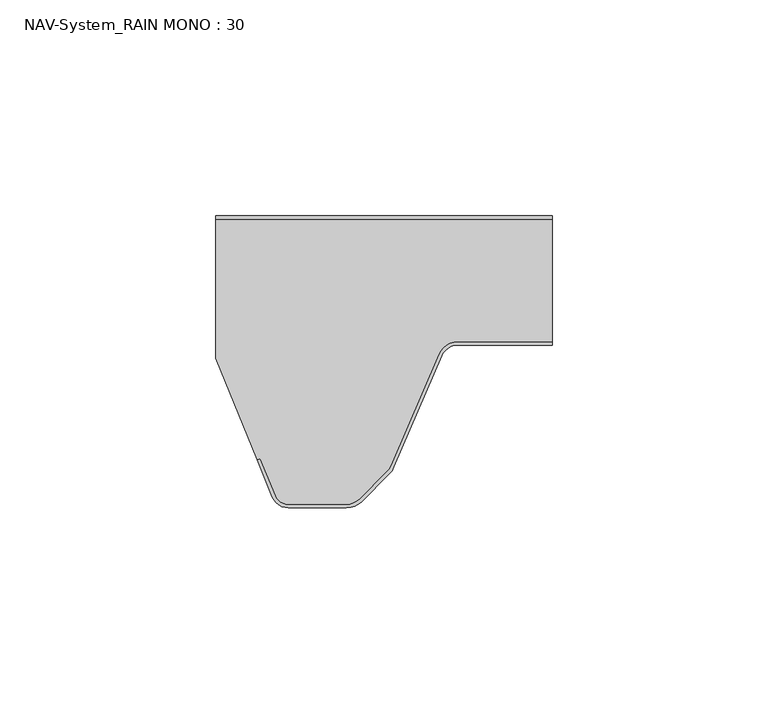
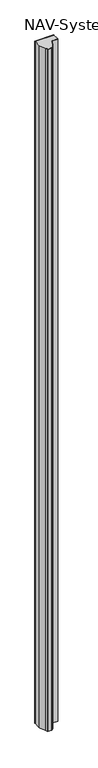
"""IFC4 building model written with IfcOpenShell, lengths in millimetres: plate geometry, NAV-System_RAIN MONO : 30."""

from ifc_helpers import new_model, si_unit, point, frame_2d, origin, origin_with_axes, place, context, project, spatial, polyline, circle_curve, trimmed, segment, composite_curve, outline, extrude, source, transform, mapped, element, save


def nav_system_rain_mono_30_54acab65(model_context):
    return source(origin(), model_context, "Body", "SweptSolid", [
        extrude(outline(polyline([(-28.0, -0.8), (-28.0, 0.0), (50.0, 0.0), (50.0, -0.8), (-28.0, -0.8)])), origin_with_axes(), (0.0, 0.0, 1.0), 3000.0),
        extrude(outline(composite_curve([segment(trimmed(circle_curve(frame_2d((28.0709249, -34.0)), 4.8), [point((28.0709249, -29.2))], [point((23.6607271, -32.1052295))], True, "CARTESIAN"), True, "CONTINUOUS"), segment(polyline([(23.6607271, -32.1052295), (12.5754349, -57.9069459)]), True, "CONTINUOUS"), segment(trimmed(circle_curve(frame_2d((8.7165118, -56.2490217)), 4.2), [point((12.5754349, -57.9069459))], [point((11.6863603, -59.2188701))], False, "CARTESIAN"), True, "CONTINUOUS"), segment(polyline([(11.6863603, -59.2188701), (5.235382, -65.6698485)]), True, "CONTINUOUS"), segment(trimmed(circle_curve(frame_2d((2.2655335, -62.7)), 4.2), [point((5.235382, -65.6698485))], [point((2.2655335, -66.9))], False, "CARTESIAN"), True, "CONTINUOUS"), segment(polyline([(2.2655335, -66.9), (-11.1405186, -66.9)]), True, "CONTINUOUS"), segment(trimmed(circle_curve(frame_2d((-11.1405186, -63.7)), 3.2), [point((-11.1405186, -66.9))], [point((-14.1022482, -64.9116756))], False, "CARTESIAN"), True, "CONTINUOUS"), segment(polyline([(-14.1022482, -64.9116756), (-17.6292254, -56.2905951), (-18.3696578, -56.593514), (-28.0, -33.053822), (-28.0, -0.8), (50.0, -0.8), (50.0, -29.2), (28.0709249, -29.2)]), True, "CONTINUOUS")], self_intersect=False)), origin_with_axes(), (0.0, 0.0, 1.0), 3000.0),
        extrude(outline(composite_curve([segment(polyline([(-14.8430228, -65.2145945), (-18.37, -56.593514), (-17.6295676, -56.2905951), (-14.1025904, -64.9116756)]), True, "CONTINUOUS"), segment(trimmed(circle_curve(frame_2d((-11.1408608, -63.7)), 3.2), [point((-14.1025904, -64.9116756))], [point((-11.1408608, -66.9))], True, "CARTESIAN"), True, "CONTINUOUS"), segment(polyline([(-11.1408608, -66.9), (2.2651913, -66.9)]), True, "CONTINUOUS"), segment(trimmed(circle_curve(frame_2d((2.2651913, -62.7)), 4.2), [point((2.2651913, -66.9))], [point((5.2350397, -65.6698485))], True, "CARTESIAN"), True, "CONTINUOUS"), segment(polyline([(5.2350397, -65.6698485), (11.6860181, -59.2188701)]), True, "CONTINUOUS"), segment(trimmed(circle_curve(frame_2d((8.7161696, -56.2490217)), 4.2), [point((11.6860181, -59.2188701))], [point((12.5750927, -57.9069459))], True, "CARTESIAN"), True, "CONTINUOUS"), segment(polyline([(12.5750927, -57.9069459), (23.6603849, -32.1052295)]), True, "CONTINUOUS"), segment(trimmed(circle_curve(frame_2d((28.0705827, -34.0)), 4.8), [point((23.6603849, -32.1052295))], [point((28.0705827, -29.2))], False, "CARTESIAN"), True, "CONTINUOUS"), segment(polyline([(28.0705827, -29.2), (50.0, -29.2), (50.0, -30.0), (28.0705827, -30.0)]), True, "CONTINUOUS"), segment(trimmed(circle_curve(frame_2d((28.0705827, -34.0)), 4.0), [point((28.0705827, -30.0))], [point((24.3954178, -32.4210246))], True, "CARTESIAN"), True, "CONTINUOUS"), segment(polyline([(24.3954178, -32.4210246), (13.3101256, -58.2227409)]), True, "CONTINUOUS"), segment(trimmed(circle_curve(frame_2d((8.7161696, -56.2490217)), 5.0), [point((13.3101256, -58.2227409))], [point((12.2517035, -59.7845556))], False, "CARTESIAN"), True, "CONTINUOUS"), segment(polyline([(12.2517035, -59.7845556), (5.8007252, -66.2355339)]), True, "CONTINUOUS"), segment(trimmed(circle_curve(frame_2d((2.2651913, -62.7)), 5.0), [point((5.8007252, -66.2355339))], [point((2.2651913, -67.7))], False, "CARTESIAN"), True, "CONTINUOUS"), segment(polyline([(2.2651913, -67.7), (-11.1408608, -67.7)]), True, "CONTINUOUS"), segment(trimmed(circle_curve(frame_2d((-11.1408608, -63.7)), 4.0), [point((-11.1408608, -67.7))], [point((-14.8430228, -65.2145945))], False, "CARTESIAN"), True, "CONTINUOUS")], self_intersect=False)), origin_with_axes(), (0.0, 0.0, 1.0), 3000.0),
    ])


if __name__ == "__main__":
    model = new_model("IFC4")
    model_context = context("Model", 3, world=origin())
    ifc_project = project(units=[si_unit("LENGTHUNIT", "METRE", prefix="MILLI")], contexts=[model_context])
    site = spatial("IfcSite", under=ifc_project)
    building = spatial("IfcBuilding", under=site)
    placement = place(None, origin())
    nav_system_rain_mono_30_shape = nav_system_rain_mono_30_54acab65(model_context)
    element("IfcPlate", 1, ObjectType="NAV-System_RAIN MONO : 30", at=placement, inside=building, context=model_context, shape_type="MappedRepresentation", body=[
        mapped(nav_system_rain_mono_30_shape, transform((0.0, 0.0, 0.0), x_axis=(1.0, 0.0, 0.0), y_axis=(0.0, 1.0, 0.0), z_axis=(0.0, 0.0, 1.0))),
    ])
    save(model, "model.ifc")
